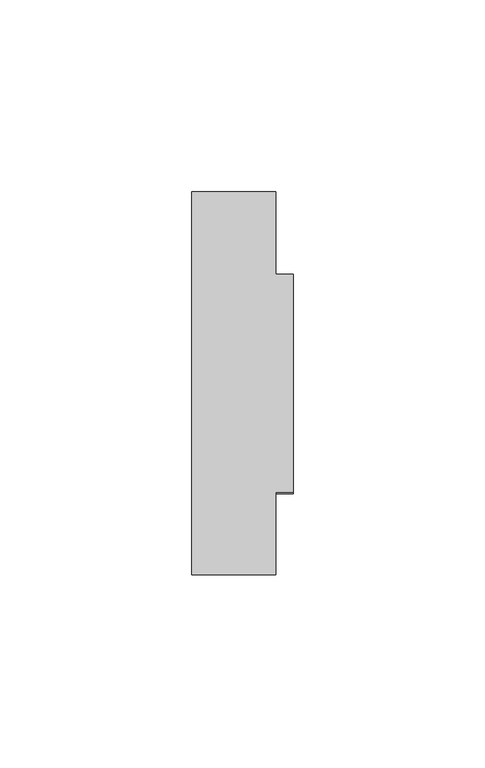
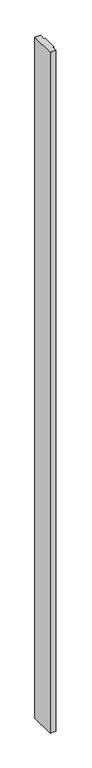
"""IFC4 building model written with IfcOpenShell, lengths in millimetres: furniture geometry."""

import ifcopenshell
import ifcopenshell.guid

model = None  # the IFC model being written
_history = None  # IfcOwnerHistory: only IFC2X3 demands one
_inside = {}  # id of a spatial element -> (the spatial element, [elements in it])
_under = {}  # id of a project, library or spatial element -> (it, [spatial elements below it])
_declared = {}  # id of a project -> (the project, [libraries it declares])
_typed = {}  # id of a type object -> (the type object, [elements of that type])
_made_of = {}  # id of a material, layer set ... -> (it, [elements and type objects made of it])


def new_model(schema):
    """Start an empty IFC model of exactly this schema.

    Asked for "IFC4X3", IfcOpenShell would pick the latest addendum, in which some entities
    have other attributes; the version numbers below select the first issue.
    IFC2X3 requires an IfcOwnerHistory on every rooted entity: one is made here for all.
    """
    global model, _history
    if schema == "IFC4X3":
        model = ifcopenshell.file(schema_version=(4, 3, 0, 0))
    else:
        model = ifcopenshell.file(schema=schema)
    _inside.clear()
    _under.clear()
    _declared.clear()
    _typed.clear()
    _made_of.clear()
    _history = None
    if model.schema == "IFC2X3":
        org = make("IfcOrganization", Name="unknown")
        user = make(
            "IfcPersonAndOrganization",
            ThePerson=make("IfcPerson", FamilyName="unknown"),
            TheOrganization=org,
        )
        app = make(
            "IfcApplication",
            ApplicationDeveloper=org,
            Version="unknown",
            ApplicationFullName="unknown",
            ApplicationIdentifier="unknown",
        )
        _history = make(
            "IfcOwnerHistory",
            OwningUser=user,
            OwningApplication=app,
            ChangeAction="ADDED",
            CreationDate=0,
        )
    return model


def make(cls, **values):
    """One entity of the class cls with the attributes given. An attribute that is None is left unset."""
    return model.create_entity(
        cls, **{name: value for name, value in values.items() if value is not None}
    )


def rooted(cls, **values):
    """An entity with a GlobalId (a new one), such as an element, a storey or a relation."""
    return make(cls, GlobalId=ifcopenshell.guid.new(), OwnerHistory=_history, **values)


def si_unit(unit_type, name, prefix=None):
    """IfcSIUnit, for example si_unit("LENGTHUNIT", "METRE", prefix="MILLI")."""
    return make("IfcSIUnit", UnitType=unit_type, Prefix=prefix, Name=name)


def assignment(units):
    """IfcUnitAssignment: the units of a project."""
    return None if units is None else make("IfcUnitAssignment", Units=units)


def point(xyz):
    """IfcCartesianPoint."""
    return None if xyz is None else make("IfcCartesianPoint", Coordinates=xyz)


def direction(xyz):
    """IfcDirection."""
    return None if xyz is None else make("IfcDirection", DirectionRatios=xyz)


def frame(location, z_axis=None, x_axis=None):
    """IfcAxis2Placement3D, a coordinate frame: its origin and axes. An axis left out is left unset."""
    return make(
        "IfcAxis2Placement3D",
        Location=point(location),
        Axis=direction(z_axis),
        RefDirection=direction(x_axis),
    )


def origin():
    """The frame at (0, 0, 0) with its axes left unset."""
    return frame((0.0, 0.0, 0.0))


def place(relative_to, where):
    """IfcLocalPlacement: puts the frame where relative to a parent placement (None: the world)."""
    return make(
        "IfcLocalPlacement", PlacementRelTo=relative_to, RelativePlacement=where
    )


def context(
    kind, dimensions, precision=None, world=None, true_north=None, identifier=None
):
    """IfcGeometricRepresentationContext, for example the 3D "Model" context."""
    return make(
        "IfcGeometricRepresentationContext",
        ContextIdentifier=identifier,
        ContextType=kind,
        CoordinateSpaceDimension=dimensions,
        Precision=precision,
        WorldCoordinateSystem=world,
        TrueNorth=true_north,
    )


def project(units=None, contexts=None):
    """IfcProject with its units and contexts."""
    return rooted(
        "IfcProject",
        Name="project",
        RepresentationContexts=contexts,
        UnitsInContext=assignment(units),
    )


def spatial(cls, under=None, at=None, **own):
    """A site, building, storey or space (cls), placed at a placement, below another one or the project."""
    s = rooted(cls, ObjectPlacement=at, **own)
    if under is not None:
        _under.setdefault(under.id(), (under, []))[1].append(s)
    return s


def faces_of(points, faces, orient=None, outer=None):
    """IfcFace entities. A face is a list of loops; a loop is a list of indices into points, from 0.

    orient and outer hold one flag for each loop. By default every Orientation is true, the
    first loop of a face is its IfcFaceOuterBound and the others are IfcFaceBound.
    """
    made = []
    for i, loops in enumerate(faces):
        bounds = []
        for j, loop in enumerate(loops):
            is_outer = j == 0 if outer is None else outer[i][j]
            bounds.append(
                make(
                    "IfcFaceOuterBound" if is_outer else "IfcFaceBound",
                    Bound=make("IfcPolyLoop", Polygon=[points[k] for k in loop]),
                    Orientation=True if orient is None else orient[i][j],
                )
            )
        made.append(make("IfcFace", Bounds=bounds))
    return made


def faceted_brep(points, faces, orient=None, outer=None, voids=None):
    """IfcFacetedBrep: a solid bounded by flat faces; with voids (closed shells), ...WithVoids."""
    shared = [point(p) for p in points]
    hull = make("IfcClosedShell", CfsFaces=faces_of(shared, faces, orient, outer))
    if voids is None:
        return make("IfcFacetedBrep", Outer=hull)
    return make(
        "IfcFacetedBrepWithVoids",
        Outer=hull,
        Voids=[
            make(cls, CfsFaces=faces_of(shared, fs, o, b)) for cls, fs, o, b in voids
        ],
    )


def shape(context_of_items, identifier, shape_type, items):
    """IfcShapeRepresentation: the items that make up one representation, for example the "Body"."""
    return make(
        "IfcShapeRepresentation",
        ContextOfItems=context_of_items,
        RepresentationIdentifier=identifier,
        RepresentationType=shape_type,
        Items=items,
    )


def source(mapping_origin, context_of_items, identifier, shape_type, items):
    """IfcRepresentationMap: a shape defined once, which mapped items show again and again."""
    return make(
        "IfcRepresentationMap",
        MappingOrigin=mapping_origin,
        MappedRepresentation=shape(context_of_items, identifier, shape_type, items),
    )


def transform(
    local_origin,
    x_axis=None,
    y_axis=None,
    z_axis=None,
    scale=None,
    scale2=None,
    scale3=None,
    uniform=True,
):
    """IfcCartesianTransformationOperator3D, or its non-uniform kind. x_axis, y_axis, z_axis: its Axis1, 2, 3."""
    if uniform:
        return make(
            "IfcCartesianTransformationOperator3D",
            Axis1=direction(x_axis),
            Axis2=direction(y_axis),
            LocalOrigin=point(local_origin),
            Scale=scale,
            Axis3=direction(z_axis),
        )
    return make(
        "IfcCartesianTransformationOperator3DnonUniform",
        Axis1=direction(x_axis),
        Axis2=direction(y_axis),
        LocalOrigin=point(local_origin),
        Scale=scale,
        Axis3=direction(z_axis),
        Scale2=scale2,
        Scale3=scale3,
    )


def mapped(mapping_source, mapping_target):
    """IfcMappedItem: shows the shape of a source again, moved by a transform."""
    return make(
        "IfcMappedItem", MappingSource=mapping_source, MappingTarget=mapping_target
    )


def made_of(thing, what):
    """Note that an element or type object is made of a material, layer set ...; save() writes the relation."""
    if what is not None:
        _made_of.setdefault(what.id(), (what, []))[1].append(thing)
    return thing


def element(
    cls,
    number,
    at=None,
    inside=None,
    cuts=None,
    type_object=None,
    material=None,
    context=None,
    identifier="Body",
    shape_type=None,
    held_by="IfcProductDefinitionShape",
    body=None,
    shapes=None,
    **own,
):
    """One element of the class cls, such as IfcWall. Its Tag is "e" and its number.

    at: its placement. inside: the storey or other place that contains it. cuts: it is an
    opening in that element (IfcRelVoidsElement). A single representation is given by context,
    identifier, shape_type and body (its items); several are given by shapes. held_by: the class
    of the entity that holds the representations. save() writes the other relations.
    """
    e = rooted(cls, Tag="e%d" % number, ObjectPlacement=at, **own)
    if body is not None:
        shapes = [shape(context, identifier, shape_type, body)]
    if shapes is not None:
        e.Representation = make(held_by, Representations=shapes)
    if inside is not None:
        _inside.setdefault(inside.id(), (inside, []))[1].append(e)
    if cuts is not None:
        rooted(
            "IfcRelVoidsElement", RelatingBuildingElement=cuts, RelatedOpeningElement=e
        )
    if type_object is not None:
        _typed.setdefault(type_object.id(), (type_object, []))[1].append(e)
    return made_of(e, material)


def aggregate(whole, parts):
    """IfcRelAggregates: a whole, such as a stair, and the parts it consists of."""
    return rooted("IfcRelAggregates", RelatingObject=whole, RelatedObjects=parts)


def save(model, path):
    """Write the relations noted so far, then the file.

    IfcRelAggregates (storeys below a building ...), IfcRelContainedInSpatialStructure (elements
    in a storey), IfcRelDefinesByType, IfcRelAssociatesMaterial and IfcRelDeclares: one each for
    every whole, place, type object, material and project.
    """
    for whole, parts in _under.values():
        aggregate(whole, parts)
    for where, things in _inside.values():
        rooted(
            "IfcRelContainedInSpatialStructure",
            RelatedElements=things,
            RelatingStructure=where,
        )
    for kind, things in _typed.values():
        rooted("IfcRelDefinesByType", RelatedObjects=things, RelatingType=kind)
    for what, things in _made_of.values():
        rooted("IfcRelAssociatesMaterial", RelatedObjects=things, RelatingMaterial=what)
    for by, libraries in _declared.values():
        rooted("IfcRelDeclares", RelatingContext=by, RelatedDefinitions=libraries)
    model.write(path)


def furniture_adf06a49(model_context):
    return source(origin(), model_context, "Body", "Brep", [
        faceted_brep([(0.0, 2006.854, 55.118), (0.0, 2003.552, 55.118), (0.0, 2003.552, 0.0), (0.0, 2060.448, 0.0), (0.0, 2060.448, 55.118), (0.0, 2057.146, 55.118), (0.0, 2057.146, 2688.082), (0.0, 2060.448, 2688.082), (0.0, 2060.448, 2743.2), (0.0, 2003.552, 2743.2), (0.0, 2003.552, 2688.082), (0.0, 2006.854, 2688.082), (-4.4958, 2006.854, 2688.082), (-4.4958, 2006.854, 55.118), (-4.4958, 2003.552, 2688.082), (-4.4958, 2003.552, 2743.2), (-4.4958, 2060.448, 2743.2), (-4.4958, 2081.9999, 2743.2), (-26.4922, 2081.9999, 2743.2), (-26.4922, 1982.0001, 2743.2), (-4.4958, 1982.0001, 2743.2), (-4.4958, 2060.448, 2688.082), (-4.4958, 2057.146, 2688.082), (-4.4958, 2057.146, 55.118), (-4.4958, 2060.448, 55.118), (-4.4958, 2060.448, 0.0), (-4.4958, 2003.552, 0.0), (-4.4958, 1982.0001, 0.0), (-26.4922, 1982.0001, 0.0), (-26.4922, 2081.9999, 0.0), (-4.4958, 2081.9999, 0.0), (-4.4958, 2003.552, 55.118)], [[[0, 1, 2, 3, 4, 5, 6, 7, 8, 9, 10, 11]], [[11, 12, 13, 0]], [[10, 14, 12, 11]], [[9, 15, 14, 10]], [[8, 16, 17, 18, 19, 20, 15, 9]], [[7, 21, 16, 8]], [[6, 22, 21, 7]], [[5, 23, 22, 6]], [[4, 24, 23, 5]], [[3, 25, 24, 4]], [[2, 26, 27, 28, 29, 30, 25, 3]], [[1, 31, 26, 2]], [[0, 13, 31, 1]], [[18, 29, 28, 19]], [[17, 30, 29, 18]], [[17, 16, 21, 22, 23, 24, 25, 30]], [[27, 26, 31, 13, 12, 14, 15, 20]], [[19, 28, 27, 20]]]),
    ])


if __name__ == "__main__":
    model = new_model("IFC4")
    model_context = context("Model", 3, world=origin())
    ifc_project = project(units=[si_unit("LENGTHUNIT", "METRE", prefix="MILLI")], contexts=[model_context])
    site = spatial("IfcSite", under=ifc_project)
    building = spatial("IfcBuilding", under=site)
    placement = place(None, origin())
    furniture_shape = furniture_adf06a49(model_context)
    element("IfcFurniture", 1, at=placement, inside=building, context=model_context, shape_type="MappedRepresentation", body=[
        mapped(furniture_shape, transform((0.0, 0.0, 0.0), x_axis=(1.0, 0.0, 0.0), y_axis=(0.0, 1.0, 0.0), z_axis=(0.0, 0.0, 1.0))),
    ])
    save(model, "model.ifc")
